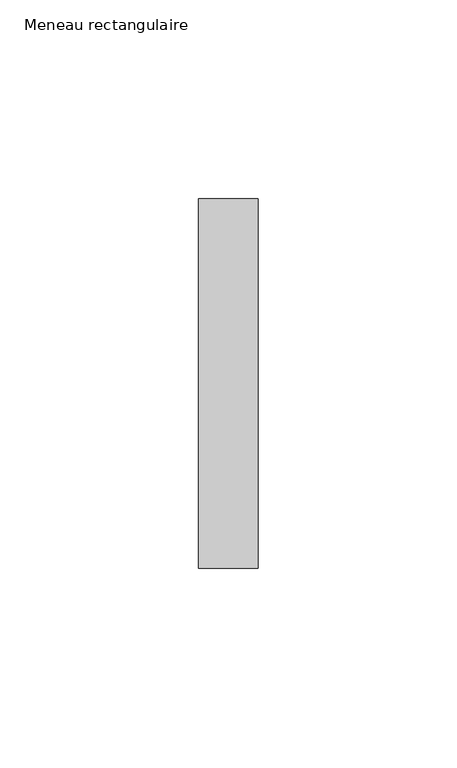
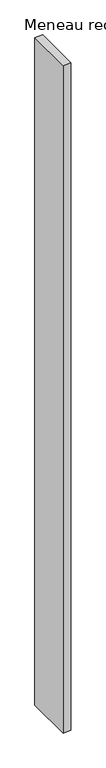
"""IFC4 building model written with IfcOpenShell, lengths in millimetres: member geometry, Meneau rectangulaire."""

from ifc_helpers import new_model, si_unit, frame, origin, place, context, project, spatial, polyline, outline, extrude, source, transform, mapped, element, save


def meneau_rectangulaire_1052ac48(model_context):
    return source(origin(), model_context, "Body", "SweptSolid", [
        extrude(outline(polyline([(0.0, 46.5), (0.0, -46.5), (-15.0, -46.5), (-15.0, 46.5), (0.0, 46.5)])), frame((0.0, 0.0, -1344.6666666), z_axis=(0.0, 0.0, 1.0), x_axis=(1.0, 0.0, 0.0)), (0.0, 0.0, 1.0), 1344.6666666),
    ])


if __name__ == "__main__":
    model = new_model("IFC4")
    model_context = context("Model", 3, world=origin())
    ifc_project = project(units=[si_unit("LENGTHUNIT", "METRE", prefix="MILLI")], contexts=[model_context])
    site = spatial("IfcSite", under=ifc_project)
    building = spatial("IfcBuilding", under=site)
    placement = place(None, origin())
    meneau_rectangulaire_shape = meneau_rectangulaire_1052ac48(model_context)
    element("IfcMember", 1, ObjectType="Meneau rectangulaire", at=placement, inside=building, context=model_context, shape_type="MappedRepresentation", body=[
        mapped(meneau_rectangulaire_shape, transform((0.0, 0.0, 0.0), x_axis=(1.0, 0.0, 0.0), y_axis=(0.0, 1.0, 0.0), z_axis=(0.0, 0.0, 1.0))),
    ])
    save(model, "model.ifc")
